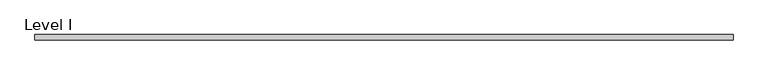
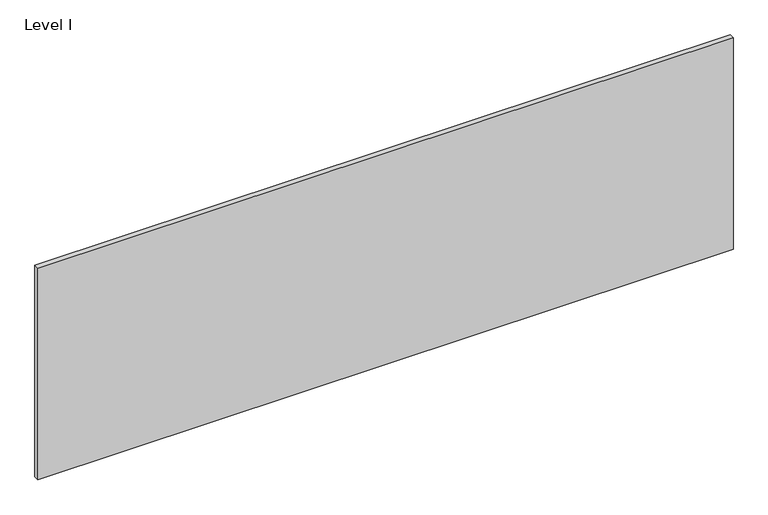
"""IFC4 building model written with IfcOpenShell, lengths in millimetres: proxy geometry, Level I."""

from ifc_helpers import new_model, si_unit, frame, origin, place, context, project, spatial, polyline, outline, extrude, source, transform, mapped, element, save


def level_i_0f8aae00(model_context):
    return source(origin(), model_context, "Body", "SweptSolid", [
        extrude(outline(polyline([(1259.8356344, 9.525), (1259.8356344, -9.525), (-1259.8356344, -9.525), (-1259.8356344, 9.525), (1259.8356344, 9.525)])), frame((0.0, 0.0, 3.175), z_axis=(0.0, 0.0, 1.0), x_axis=(1.0, 0.0, 0.0)), (0.0, 0.0, 1.0), 810.768),
    ])


if __name__ == "__main__":
    model = new_model("IFC4")
    model_context = context("Model", 3, world=origin())
    ifc_project = project(units=[si_unit("LENGTHUNIT", "METRE", prefix="MILLI")], contexts=[model_context])
    site = spatial("IfcSite", under=ifc_project)
    building = spatial("IfcBuilding", under=site)
    placement = place(None, origin())
    level_i_shape = level_i_0f8aae00(model_context)
    element("IfcBuildingElementProxy", 1, Name="Level I", ObjectType="Level I", at=placement, inside=building, context=model_context, shape_type="MappedRepresentation", body=[
        mapped(level_i_shape, transform((0.0, 0.0, 0.0), x_axis=(1.0, 0.0, 0.0), y_axis=(0.0, 1.0, 0.0), z_axis=(0.0, 0.0, 1.0))),
    ])
    save(model, "model.ifc")
